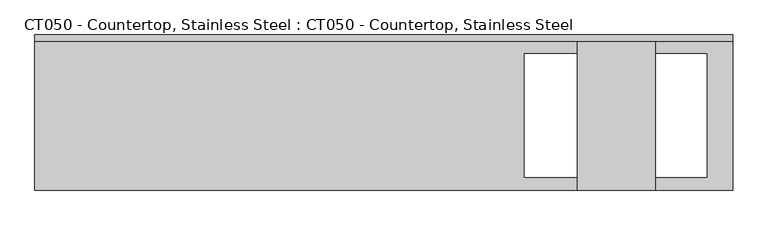
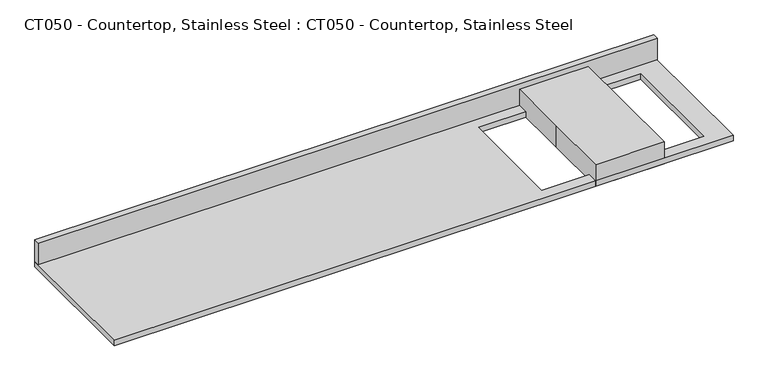
"""IFC4 building model written with IfcOpenShell, lengths in millimetres: proxy geometry, CT050 - Countertop, Stainless Steel : CT050 - Countertop, Stainless Steel."""

from ifc_helpers import new_model, si_unit, frame, origin, origin_with_axes, place, context, project, spatial, polyline, outline, extrude, source, transform, mapped, element, save


def ct050_countertop_stainless_steel_ct050_countertop_stainless_4151d599(model_context):
    return source(origin(), model_context, "Body", "SweptSolid", [
        extrude(outline(polyline([(457.2, 304.8), (457.2, -304.8), (-2286.0, -304.8), (-2286.0, 304.8), (457.2, 304.8)]), holes=[polyline([(355.6, 229.8260356), (-361.9500001, 229.8260356), (-361.9500001, -254.0), (355.6, -254.0), (355.6, 229.8260356)])]), origin_with_axes(), (0.0, 0.0, 1.0), 25.4),
        extrude(outline(polyline([(-2286.0, 279.4), (-2286.0, 304.8), (457.2, 304.8), (457.2, 279.4), (-2286.0, 279.4)])), frame((0.0, 0.0, 25.4), z_axis=(0.0, 0.0, 1.0), x_axis=(1.0, 0.0, 0.0)), (0.0, 0.0, 1.0), 101.6),
        extrude(outline(polyline([(-152.4, 304.8), (152.4, 304.8), (152.4, -304.8), (-152.4, -304.8), (-152.4, 0.0), (-152.4, 304.8)])), origin_with_axes(), (0.0, 0.0, 1.0), 101.6),
    ])


if __name__ == "__main__":
    model = new_model("IFC4")
    model_context = context("Model", 3, world=origin())
    ifc_project = project(units=[si_unit("LENGTHUNIT", "METRE", prefix="MILLI")], contexts=[model_context])
    site = spatial("IfcSite", under=ifc_project)
    building = spatial("IfcBuilding", under=site)
    placement = place(None, origin())
    ct050_countertop_stainless_steel_ct050_countertop_stainless_shape = ct050_countertop_stainless_steel_ct050_countertop_stainless_4151d599(model_context)
    element("IfcBuildingElementProxy", 1, Name="CT050 - Countertop, Stainless Steel : CT050 - Countertop, Stainless Steel", ObjectType="CT050 - Countertop, Stainless Steel : CT050 - Countertop, Stainless Steel", at=placement, inside=building, context=model_context, shape_type="MappedRepresentation", body=[
        mapped(ct050_countertop_stainless_steel_ct050_countertop_stainless_shape, transform((0.0, 0.0, 0.0), x_axis=(1.0, 0.0, 0.0), y_axis=(0.0, 1.0, 0.0), z_axis=(0.0, 0.0, 1.0))),
    ])
    save(model, "model.ifc")
